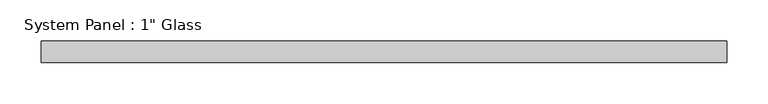
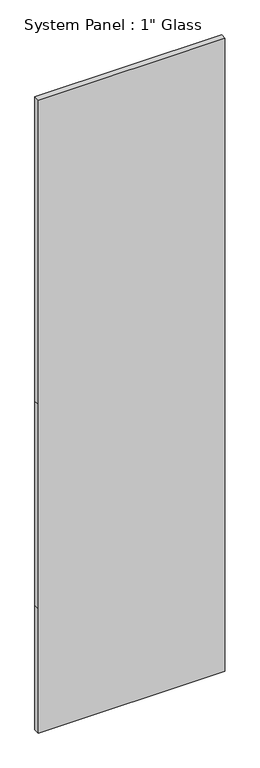
"""IFC4 building model written with IfcOpenShell, lengths in millimetres: plate geometry."""

from ifc_helpers import new_model, si_unit, frame, origin, place, context, project, spatial, polyline, outline, extrude, source, transform, mapped, element, save


def plate_0d45bb9d(model_context):
    return source(origin(), model_context, "Body", "SweptSolid", [
        extrude(outline(polyline([(0.0, -412.75), (0.0, 412.75), (581.025, 412.75), (1536.7, 412.75), (2959.1, 412.75), (2959.1, -412.75), (1536.7, -412.75), (581.025, -412.75), (0.0, -412.75)])), frame((0.0, -12.7, 0.0), z_axis=(0.0, 1.0, 0.0), x_axis=(0.0, 0.0, 1.0)), (0.0, 0.0, 1.0), 25.4),
    ])


if __name__ == "__main__":
    model = new_model("IFC4")
    model_context = context("Model", 3, world=origin())
    ifc_project = project(units=[si_unit("LENGTHUNIT", "METRE", prefix="MILLI")], contexts=[model_context])
    site = spatial("IfcSite", under=ifc_project)
    building = spatial("IfcBuilding", under=site)
    placement = place(None, origin())
    plate_shape = plate_0d45bb9d(model_context)
    element("IfcPlate", 1, ObjectType="System Panel : 1\" Glass", at=placement, inside=building, context=model_context, shape_type="MappedRepresentation", body=[
        mapped(plate_shape, transform((0.0, 0.0, 0.0), x_axis=(1.0, 0.0, 0.0), y_axis=(0.0, 1.0, 0.0), z_axis=(0.0, 0.0, 1.0))),
    ])
    save(model, "model.ifc")
